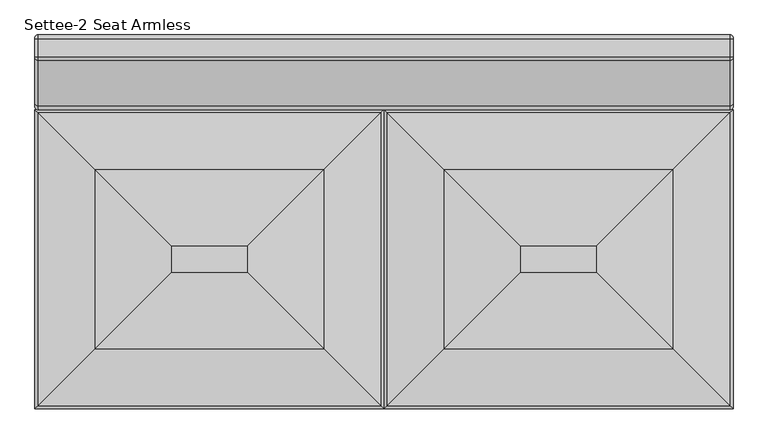
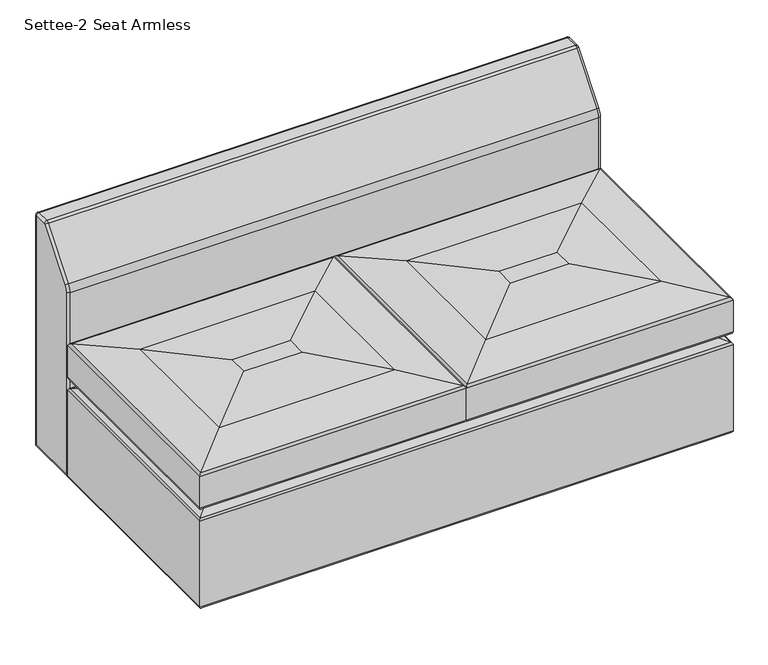
"""IFC4 building model written with IfcOpenShell, lengths in millimetres: furniture geometry, Settee-2 Seat Armless."""

import ifcopenshell
import ifcopenshell.guid

model = None  # the IFC model being written
_history = None  # IfcOwnerHistory: only IFC2X3 demands one
_inside = {}  # id of a spatial element -> (the spatial element, [elements in it])
_under = {}  # id of a project, library or spatial element -> (it, [spatial elements below it])
_declared = {}  # id of a project -> (the project, [libraries it declares])
_typed = {}  # id of a type object -> (the type object, [elements of that type])
_made_of = {}  # id of a material, layer set ... -> (it, [elements and type objects made of it])


def new_model(schema):
    """Start an empty IFC model of exactly this schema.

    Asked for "IFC4X3", IfcOpenShell would pick the latest addendum, in which some entities
    have other attributes; the version numbers below select the first issue.
    IFC2X3 requires an IfcOwnerHistory on every rooted entity: one is made here for all.
    """
    global model, _history
    if schema == "IFC4X3":
        model = ifcopenshell.file(schema_version=(4, 3, 0, 0))
    else:
        model = ifcopenshell.file(schema=schema)
    _inside.clear()
    _under.clear()
    _declared.clear()
    _typed.clear()
    _made_of.clear()
    _history = None
    if model.schema == "IFC2X3":
        org = make("IfcOrganization", Name="unknown")
        user = make(
            "IfcPersonAndOrganization",
            ThePerson=make("IfcPerson", FamilyName="unknown"),
            TheOrganization=org,
        )
        app = make(
            "IfcApplication",
            ApplicationDeveloper=org,
            Version="unknown",
            ApplicationFullName="unknown",
            ApplicationIdentifier="unknown",
        )
        _history = make(
            "IfcOwnerHistory",
            OwningUser=user,
            OwningApplication=app,
            ChangeAction="ADDED",
            CreationDate=0,
        )
    return model


def make(cls, **values):
    """One entity of the class cls with the attributes given. An attribute that is None is left unset."""
    return model.create_entity(
        cls, **{name: value for name, value in values.items() if value is not None}
    )


def rooted(cls, **values):
    """An entity with a GlobalId (a new one), such as an element, a storey or a relation."""
    return make(cls, GlobalId=ifcopenshell.guid.new(), OwnerHistory=_history, **values)


def si_unit(unit_type, name, prefix=None):
    """IfcSIUnit, for example si_unit("LENGTHUNIT", "METRE", prefix="MILLI")."""
    return make("IfcSIUnit", UnitType=unit_type, Prefix=prefix, Name=name)


def assignment(units):
    """IfcUnitAssignment: the units of a project."""
    return None if units is None else make("IfcUnitAssignment", Units=units)


def point(xyz):
    """IfcCartesianPoint."""
    return None if xyz is None else make("IfcCartesianPoint", Coordinates=xyz)


def direction(xyz):
    """IfcDirection."""
    return None if xyz is None else make("IfcDirection", DirectionRatios=xyz)


def frame(location, z_axis=None, x_axis=None):
    """IfcAxis2Placement3D, a coordinate frame: its origin and axes. An axis left out is left unset."""
    return make(
        "IfcAxis2Placement3D",
        Location=point(location),
        Axis=direction(z_axis),
        RefDirection=direction(x_axis),
    )


def origin():
    """The frame at (0, 0, 0) with its axes left unset."""
    return frame((0.0, 0.0, 0.0))


def place(relative_to, where):
    """IfcLocalPlacement: puts the frame where relative to a parent placement (None: the world)."""
    return make(
        "IfcLocalPlacement", PlacementRelTo=relative_to, RelativePlacement=where
    )


def context(
    kind, dimensions, precision=None, world=None, true_north=None, identifier=None
):
    """IfcGeometricRepresentationContext, for example the 3D "Model" context."""
    return make(
        "IfcGeometricRepresentationContext",
        ContextIdentifier=identifier,
        ContextType=kind,
        CoordinateSpaceDimension=dimensions,
        Precision=precision,
        WorldCoordinateSystem=world,
        TrueNorth=true_north,
    )


def project(units=None, contexts=None):
    """IfcProject with its units and contexts."""
    return rooted(
        "IfcProject",
        Name="project",
        RepresentationContexts=contexts,
        UnitsInContext=assignment(units),
    )


def spatial(cls, under=None, at=None, **own):
    """A site, building, storey or space (cls), placed at a placement, below another one or the project."""
    s = rooted(cls, ObjectPlacement=at, **own)
    if under is not None:
        _under.setdefault(under.id(), (under, []))[1].append(s)
    return s


def circle_curve(where, radius):
    """IfcCircle in the frame where."""
    return make("IfcCircle", Position=where, Radius=radius)


def ellipse_curve(where, semi_axis1, semi_axis2):
    """IfcEllipse in the frame where."""
    return make(
        "IfcEllipse", Position=where, SemiAxis1=semi_axis1, SemiAxis2=semi_axis2
    )


def trimmed(basis, trim1, trim2, sense, master):
    """IfcTrimmedCurve: the piece of a basis curve between two trims."""
    return make(
        "IfcTrimmedCurve",
        BasisCurve=basis,
        Trim1=trim1,
        Trim2=trim2,
        SenseAgreement=sense,
        MasterRepresentation=master,
    )


def shape(context_of_items, identifier, shape_type, items):
    """IfcShapeRepresentation: the items that make up one representation, for example the "Body"."""
    return make(
        "IfcShapeRepresentation",
        ContextOfItems=context_of_items,
        RepresentationIdentifier=identifier,
        RepresentationType=shape_type,
        Items=items,
    )


def source(mapping_origin, context_of_items, identifier, shape_type, items):
    """IfcRepresentationMap: a shape defined once, which mapped items show again and again."""
    return make(
        "IfcRepresentationMap",
        MappingOrigin=mapping_origin,
        MappedRepresentation=shape(context_of_items, identifier, shape_type, items),
    )


def transform(
    local_origin,
    x_axis=None,
    y_axis=None,
    z_axis=None,
    scale=None,
    scale2=None,
    scale3=None,
    uniform=True,
):
    """IfcCartesianTransformationOperator3D, or its non-uniform kind. x_axis, y_axis, z_axis: its Axis1, 2, 3."""
    if uniform:
        return make(
            "IfcCartesianTransformationOperator3D",
            Axis1=direction(x_axis),
            Axis2=direction(y_axis),
            LocalOrigin=point(local_origin),
            Scale=scale,
            Axis3=direction(z_axis),
        )
    return make(
        "IfcCartesianTransformationOperator3DnonUniform",
        Axis1=direction(x_axis),
        Axis2=direction(y_axis),
        LocalOrigin=point(local_origin),
        Scale=scale,
        Axis3=direction(z_axis),
        Scale2=scale2,
        Scale3=scale3,
    )


def mapped(mapping_source, mapping_target):
    """IfcMappedItem: shows the shape of a source again, moved by a transform."""
    return make(
        "IfcMappedItem", MappingSource=mapping_source, MappingTarget=mapping_target
    )


def made_of(thing, what):
    """Note that an element or type object is made of a material, layer set ...; save() writes the relation."""
    if what is not None:
        _made_of.setdefault(what.id(), (what, []))[1].append(thing)
    return thing


def element(
    cls,
    number,
    at=None,
    inside=None,
    cuts=None,
    type_object=None,
    material=None,
    context=None,
    identifier="Body",
    shape_type=None,
    held_by="IfcProductDefinitionShape",
    body=None,
    shapes=None,
    **own,
):
    """One element of the class cls, such as IfcWall. Its Tag is "e" and its number.

    at: its placement. inside: the storey or other place that contains it. cuts: it is an
    opening in that element (IfcRelVoidsElement). A single representation is given by context,
    identifier, shape_type and body (its items); several are given by shapes. held_by: the class
    of the entity that holds the representations. save() writes the other relations.
    """
    e = rooted(cls, Tag="e%d" % number, ObjectPlacement=at, **own)
    if body is not None:
        shapes = [shape(context, identifier, shape_type, body)]
    if shapes is not None:
        e.Representation = make(held_by, Representations=shapes)
    if inside is not None:
        _inside.setdefault(inside.id(), (inside, []))[1].append(e)
    if cuts is not None:
        rooted(
            "IfcRelVoidsElement", RelatingBuildingElement=cuts, RelatedOpeningElement=e
        )
    if type_object is not None:
        _typed.setdefault(type_object.id(), (type_object, []))[1].append(e)
    return made_of(e, material)


def aggregate(whole, parts):
    """IfcRelAggregates: a whole, such as a stair, and the parts it consists of."""
    return rooted("IfcRelAggregates", RelatingObject=whole, RelatedObjects=parts)


def save(model, path):
    """Write the relations noted so far, then the file.

    IfcRelAggregates (storeys below a building ...), IfcRelContainedInSpatialStructure (elements
    in a storey), IfcRelDefinesByType, IfcRelAssociatesMaterial and IfcRelDeclares: one each for
    every whole, place, type object, material and project.
    """
    for whole, parts in _under.values():
        aggregate(whole, parts)
    for where, things in _inside.values():
        rooted(
            "IfcRelContainedInSpatialStructure",
            RelatedElements=things,
            RelatingStructure=where,
        )
    for kind, things in _typed.values():
        rooted("IfcRelDefinesByType", RelatedObjects=things, RelatingType=kind)
    for what, things in _made_of.values():
        rooted("IfcRelAssociatesMaterial", RelatedObjects=things, RelatingMaterial=what)
    for by, libraries in _declared.values():
        rooted("IfcRelDeclares", RelatingContext=by, RelatedDefinitions=libraries)
    model.write(path)


def plane_surface(at):
    """IfcPlane: the flat surface through the origin of the frame at, square to its z axis."""
    return make("IfcPlane", Position=at)


def cylinder_surface(at, radius):
    """IfcCylindricalSurface: all points at the distance radius from the z axis of the frame at."""
    return make("IfcCylindricalSurface", Position=at, Radius=radius)


def revolved_surface(curve, axis_point, axis_direction):
    """IfcSurfaceOfRevolution: the curve turned about the line through axis_point along axis_direction."""
    return make(
        "IfcSurfaceOfRevolution",
        SweptCurve=make("IfcArbitraryOpenProfileDef", ProfileType="CURVE", Curve=curve),
        AxisPosition=make("IfcAxis1Placement", Location=point(axis_point), Axis=direction(axis_direction)),
    )


def advanced_brep(points, edges, surfaces, faces):
    """IfcAdvancedBrep: a solid bounded by faces that lie on surfaces and meet in shared edges.

    An edge is (start, end): straight between two places in points (the first is 0);
    or (start, end, curve); or (start, end, curve, False) where it runs against its curve.
    A face is (place in surfaces, loops), or (place, loops, False) where it looks against
    its surface's normal. A loop lists edges by number (the first is 1), with a minus sign
    where the edge is run from its end to its start. The first loop is the outer one.
    """
    corners = [point(p) for p in points]
    vertices = [make("IfcVertexPoint", VertexGeometry=c) for c in corners]
    made = []
    for start, end, *more in edges:
        made.append(
            make(
                "IfcEdgeCurve",
                EdgeStart=vertices[start],
                EdgeEnd=vertices[end],
                EdgeGeometry=more[0] if more else make("IfcPolyline", Points=[corners[start], corners[end]]),
                SameSense=more[1] if len(more) > 1 else True,
            )
        )
    hull = []
    for where, loops, *sense in faces:
        bounds = []
        for j, loop in enumerate(loops):
            ring = [make("IfcOrientedEdge", EdgeElement=made[abs(k) - 1], Orientation=k > 0) for k in loop]
            bounds.append(
                make(
                    "IfcFaceOuterBound" if j == 0 else "IfcFaceBound",
                    Bound=make("IfcEdgeLoop", EdgeList=ring),
                    Orientation=True,
                )
            )
        hull.append(make("IfcAdvancedFace", Bounds=bounds, FaceSurface=surfaces[where], SameSense=sense[0] if sense else True))
    return make("IfcAdvancedBrep", Outer=make("IfcClosedShell", CfsFaces=hull))


def settee_2_seat_armless_e1510685(model_context):
    return source(origin(), model_context, "Body", "AdvancedBrep", [
        advanced_brep(
        [(0.0, -762.0, 63.5), (6.35, -755.65, 57.15), (1416.05, -755.65, 57.15), (1422.4, -762.0, 63.5), (1422.4, -762.0, 305.4352053), (0.0, -762.0, 305.4352053), (1418.744765, -758.344765, 311.1850523), (3.655235, -758.344765, 311.1850523), (1367.4981467, -707.0981467, 323.8599964), (54.9018533, -707.0981467, 323.8599964), (1416.05, -158.75, 57.15), (1422.4, -152.4, 63.5), (1422.4, -152.4, 305.4352053), (1418.744765, -156.055235, 311.1850523), (1367.4981467, -207.3018533, 323.8599964), (6.35, -158.75, 57.15), (0.0, -152.4, 63.5), (0.0, -152.4, 305.4352053), (3.655235, -156.055235, 311.1850523), (54.9018533, -207.3018533, 323.8599964)],
        [
            (0, 1, ellipse_curve(frame((6.35, -755.65, 63.5), z_axis=(0.7071067811865475, -0.7071067811865475, 0.0), x_axis=(-0.7071067811865476, -0.7071067811865474, 0.0)), 8.9802561, 6.35)),
            (1, 2),
            (2, 3, ellipse_curve(frame((1416.05, -755.65, 63.5), z_axis=(-0.7071067811865475, -0.7071067811865475, 0.0), x_axis=(-0.7071067811865476, 0.7071067811865474, 0.0)), 8.9802561, 6.35)),
            (3, 0),
            (3, 4),
            (4, 5),
            (5, 0),
            (4, 6, ellipse_curve(frame((1416.05, -755.65, 305.4352053), z_axis=(-0.7071067811865475, -0.7071067811865475, 0.0), x_axis=(-0.7071067811865476, 0.7071067811865474, 0.0)), 8.9802561, 6.35)),
            (6, 7),
            (7, 5, ellipse_curve(frame((6.35, -755.65, 305.4352053), z_axis=(0.7071067811865475, -0.7071067811865475, 0.0), x_axis=(-0.7071067811865476, -0.7071067811865474, 0.0)), 8.9802561, 6.35)),
            (6, 8, ellipse_curve(frame((1361.1694749, -700.7694749, 188.3360783), z_axis=(-0.7071067811865475, -0.7071067811865475, 0.0), x_axis=(-0.7071067811865476, 0.7071067811865474, 0.0)), 191.8686241, 135.6716052)),
            (8, 9),
            (9, 7, ellipse_curve(frame((61.2305251, -700.7694749, 188.3360783), z_axis=(0.7071067811865475, -0.7071067811865475, 0.0), x_axis=(-0.7071067811865476, -0.7071067811865474, 0.0)), 191.8686241, 135.6716052)),
            (2, 10),
            (10, 11, ellipse_curve(frame((1416.05, -158.75, 63.5), z_axis=(0.7071067811865475, -0.7071067811865475, 0.0), x_axis=(-0.7071067811865474, -0.7071067811865476, 0.0)), 8.9802561, 6.35)),
            (11, 3),
            (11, 12),
            (12, 4),
            (12, 13, ellipse_curve(frame((1416.05, -158.75, 305.4352053), z_axis=(0.7071067811865475, -0.7071067811865475, 0.0), x_axis=(-0.7071067811865474, -0.7071067811865476, 0.0)), 8.9802561, 6.35)),
            (13, 6),
            (13, 14, ellipse_curve(frame((1361.1694749, -213.6305251, 188.3360783), z_axis=(0.7071067811865475, -0.7071067811865475, 0.0), x_axis=(-0.7071067811865474, -0.7071067811865476, 0.0)), 191.8686241, 135.6716052)),
            (14, 8),
            (10, 15),
            (15, 16, ellipse_curve(frame((6.35, -158.75, 63.5), z_axis=(0.7071067811865475, 0.7071067811865475, 0.0), x_axis=(0.7071067811865476, -0.7071067811865474, 0.0)), 8.9802561, 6.35)),
            (16, 11),
            (16, 17),
            (17, 12),
            (17, 18, ellipse_curve(frame((6.35, -158.75, 305.4352053), z_axis=(0.7071067811865475, 0.7071067811865475, 0.0), x_axis=(0.7071067811865476, -0.7071067811865474, 0.0)), 8.9802561, 6.35)),
            (18, 13),
            (18, 19, ellipse_curve(frame((61.2305251, -213.6305251, 188.3360783), z_axis=(0.7071067811865475, 0.7071067811865475, 0.0), x_axis=(0.7071067811865476, -0.7071067811865474, 0.0)), 191.8686241, 135.6716052)),
            (19, 14),
            (1, 15),
            (0, 16),
            (5, 17),
            (7, 18),
            (9, 19),
        ],
        [
            cylinder_surface(frame((0.0, -755.65, 63.5), z_axis=(-1.0, 0.0, 0.0), x_axis=(0.0, 1.0, 0.0)), 6.35),
            plane_surface(frame((0.0, -762.0, 63.5), z_axis=(0.0, -1.0, 0.0), x_axis=(1.0, 0.0, 0.0))),
            cylinder_surface(frame((0.0, -755.65, 305.4352053), z_axis=(-1.0, 0.0, 0.0), x_axis=(0.0, 1.0, 0.0)), 6.35),
            cylinder_surface(frame((0.0, -700.7694749, 188.3360783), z_axis=(-1.0, 0.0, 0.0), x_axis=(0.0, 1.0, 0.0)), 135.6716052),
            cylinder_surface(frame((1416.05, -762.0, 63.5), z_axis=(0.0, -1.0, 0.0), x_axis=(-1.0, 0.0, 0.0)), 6.35),
            plane_surface(frame((1422.4, -762.0, 63.5), z_axis=(1.0, 0.0, 0.0), x_axis=(0.0, 1.0, 0.0))),
            cylinder_surface(frame((1416.05, -762.0, 305.4352053), z_axis=(0.0, -1.0, 0.0), x_axis=(-1.0, 0.0, 0.0)), 6.35),
            cylinder_surface(frame((1361.1694749, -762.0, 188.3360783), z_axis=(0.0, -1.0, 0.0), x_axis=(-1.0, 0.0, 0.0)), 135.6716052),
            cylinder_surface(frame((1422.4, -158.75, 63.5), z_axis=(1.0, 0.0, 0.0), x_axis=(0.0, -1.0, 0.0)), 6.35),
            plane_surface(frame((1422.4, -152.4, 63.5), z_axis=(0.0, 1.0, 0.0), x_axis=(-1.0, 0.0, 0.0))),
            cylinder_surface(frame((1422.4, -158.75, 305.4352053), z_axis=(1.0, 0.0, 0.0), x_axis=(0.0, -1.0, 0.0)), 6.35),
            cylinder_surface(frame((1422.4, -213.6305251, 188.3360783), z_axis=(1.0, 0.0, 0.0), x_axis=(0.0, -1.0, 0.0)), 135.6716052),
            plane_surface(frame((279.4, -431.8, 57.15), z_axis=(0.0, 0.0, -1.0), x_axis=(0.0, -1.0, 0.0))),
            cylinder_surface(frame((6.35, -152.4, 63.5), z_axis=(0.0, 1.0, 0.0), x_axis=(1.0, 0.0, 0.0)), 6.35),
            plane_surface(frame((0.0, -152.4, 63.5), z_axis=(-1.0, 0.0, 0.0), x_axis=(0.0, -1.0, 0.0))),
            cylinder_surface(frame((6.35, -152.4, 305.4352053), z_axis=(0.0, 1.0, 0.0), x_axis=(1.0, 0.0, 0.0)), 6.35),
            cylinder_surface(frame((61.2305251, -152.4, 188.3360783), z_axis=(0.0, 1.0, 0.0), x_axis=(1.0, 0.0, 0.0)), 135.6716052),
            plane_surface(frame((54.9018533, -207.3018533, 323.8599964), z_axis=(0.0, 0.0, 1.0), x_axis=(0.0, -1.0, 0.0))),
        ],
        [
            (0, [[1, 2, 3, 4]]),
            (1, [[-4, 5, 6, 7]]),
            (2, [[-6, 8, 9, 10]]),
            (3, [[-9, 11, 12, 13]]),
            (4, [[-3, 14, 15, 16]]),
            (5, [[-5, -16, 17, 18]]),
            (6, [[-8, -18, 19, 20]]),
            (7, [[-11, -20, 21, 22]]),
            (8, [[-15, 23, 24, 25]]),
            (9, [[-17, -25, 26, 27]]),
            (10, [[-19, -27, 28, 29]]),
            (11, [[-21, -29, 30, 31]]),
            (12, [[-2, 32, -23, -14]]),
            (13, [[-1, 33, -24, -32]]),
            (14, [[-7, 34, -26, -33]]),
            (15, [[-10, 35, -28, -34]]),
            (16, [[-13, 36, -30, -35]]),
            (17, [[-12, -22, -31, -36]]),
        ],
    ),
        advanced_brep(
        [(714.8589271, -758.2176259, 336.5161259), (766.1018533, -706.9746997, 323.8599964), (1367.4981467, -706.9746997, 323.8599964), (1418.7410729, -758.2176259, 336.5161259), (1422.4, -761.876553, 342.2677019), (711.2, -761.876553, 342.2677019), (1422.4, -761.876553, 431.6520878), (711.2, -761.876553, 431.6520878), (1416.8617206, -756.3382736, 437.949993), (716.7382794, -756.3382736, 437.949993), (1300.8501341, -640.326687, 452.9024246), (832.7498659, -640.326687, 452.9024246), (1144.999776, -484.476329, 462.9046302), (988.600224, -484.476329, 462.9046302), (1367.4981467, -207.3018533, 323.8599964), (1418.7410729, -156.0589271, 336.5161259), (1422.4, -152.4, 342.2677019), (1422.4, -152.4, 431.6520878), (1416.8617206, -157.9382794, 437.949993), (1300.8501341, -273.9498659, 452.9024246), (1144.999776, -429.800224, 462.9046302), (766.1018533, -207.3018533, 323.8599964), (714.8589271, -156.0589271, 336.5161259), (711.2, -152.4, 342.2677019), (711.2, -152.4, 431.6520878), (716.7382794, -157.9382794, 437.949993), (832.7498659, -273.9498659, 452.9024246), (988.600224, -429.800224, 462.9046302)],
        [
            (0, 1, ellipse_curve(frame((772.4373178, -700.6392352, 459.5772619), z_axis=(0.7071067811865475, -0.7071067811865475, 0.0), x_axis=(-0.7071067811865476, -0.7071067811865474, 0.0)), 192.1422091, 135.865059)),
            (1, 2),
            (2, 3, ellipse_curve(frame((1361.1626822, -700.6392352, 459.5772619), z_axis=(-0.7071067811865475, -0.7071067811865475, 0.0), x_axis=(-0.7071067811865476, 0.7071067811865474, 0.0)), 192.1422091, 135.865059)),
            (3, 0),
            (3, 4, ellipse_curve(frame((1416.05, -755.526553, 342.2677019), z_axis=(-0.7071067811865475, -0.7071067811865475, 0.0), x_axis=(-0.7071067811865476, 0.7071067811865474, 0.0)), 8.9802561, 6.35)),
            (4, 5),
            (5, 0, ellipse_curve(frame((717.55, -755.526553, 342.2677019), z_axis=(0.7071067811865475, -0.7071067811865475, 0.0), x_axis=(-0.7071067811865476, -0.7071067811865474, 0.0)), 8.9802561, 6.35)),
            (4, 6),
            (6, 7),
            (7, 5),
            (6, 8, ellipse_curve(frame((1416.05, -755.526553, 431.6520878), z_axis=(-0.7071067811865475, -0.7071067811865475, 0.0), x_axis=(-0.7071067811865476, 0.7071067811865474, 0.0)), 8.9802561, 6.35)),
            (8, 9),
            (9, 7, ellipse_curve(frame((717.55, -755.526553, 431.6520878), z_axis=(0.7071067811865475, -0.7071067811865475, 0.0), x_axis=(-0.7071067811865476, -0.7071067811865474, 0.0)), 8.9802561, 6.35)),
            (8, 10),
            (10, 11),
            (11, 9),
            (10, 12, ellipse_curve(frame((1144.999776, -484.476329, -756.2953698), z_axis=(-0.7071067811865475, -0.7071067811865475, 0.0), x_axis=(-0.7071067811865476, 0.7071067811865474, 0.0)), 1724.2091752, 1219.2)),
            (12, 13),
            (13, 11, ellipse_curve(frame((988.600224, -484.476329, -756.2953698), z_axis=(0.7071067811865475, -0.7071067811865475, 0.0), x_axis=(-0.7071067811865476, -0.7071067811865474, 0.0)), 1724.2091752, 1219.2)),
            (2, 14),
            (14, 15, ellipse_curve(frame((1361.1626822, -213.6373178, 459.5772619), z_axis=(0.7071067811865475, -0.7071067811865475, 0.0), x_axis=(-0.7071067811865474, -0.7071067811865476, 0.0)), 192.1422091, 135.865059)),
            (15, 3),
            (15, 16, ellipse_curve(frame((1416.05, -158.75, 342.2677019), z_axis=(0.7071067811865475, -0.7071067811865475, 0.0), x_axis=(-0.7071067811865474, -0.7071067811865476, 0.0)), 8.9802561, 6.35)),
            (16, 4),
            (16, 17),
            (17, 6),
            (17, 18, ellipse_curve(frame((1416.05, -158.75, 431.6520878), z_axis=(0.7071067811865475, -0.7071067811865475, 0.0), x_axis=(-0.7071067811865474, -0.7071067811865476, 0.0)), 8.9802561, 6.35)),
            (18, 8),
            (18, 19),
            (19, 10),
            (19, 20, ellipse_curve(frame((1144.999776, -429.800224, -756.2953698), z_axis=(0.7071067811865475, -0.7071067811865475, 0.0), x_axis=(-0.7071067811865474, -0.7071067811865476, 0.0)), 1724.2091752, 1219.2)),
            (20, 12),
            (14, 21),
            (21, 22, ellipse_curve(frame((772.4373178, -213.6373178, 459.5772619), z_axis=(0.7071067811865475, 0.7071067811865475, 0.0), x_axis=(0.7071067811865476, -0.7071067811865474, 0.0)), 192.1422091, 135.865059)),
            (22, 15),
            (22, 23, ellipse_curve(frame((717.55, -158.75, 342.2677019), z_axis=(0.7071067811865475, 0.7071067811865475, 0.0), x_axis=(0.7071067811865476, -0.7071067811865474, 0.0)), 8.9802561, 6.35)),
            (23, 16),
            (23, 24),
            (24, 17),
            (24, 25, ellipse_curve(frame((717.55, -158.75, 431.6520878), z_axis=(0.7071067811865475, 0.7071067811865475, 0.0), x_axis=(0.7071067811865476, -0.7071067811865474, 0.0)), 8.9802561, 6.35)),
            (25, 18),
            (25, 26),
            (26, 19),
            (26, 27, ellipse_curve(frame((988.600224, -429.800224, -756.2953698), z_axis=(0.7071067811865475, 0.7071067811865475, 0.0), x_axis=(0.7071067811865476, -0.7071067811865474, 0.0)), 1724.2091752, 1219.2)),
            (27, 20),
            (1, 21),
            (0, 22),
            (5, 23),
            (7, 24),
            (9, 25),
            (11, 26),
            (13, 27),
        ],
        [
            cylinder_surface(frame((711.2, -700.6392352, 459.5772619), z_axis=(-1.0, 0.0, 0.0), x_axis=(0.0, 1.0, 0.0)), 135.865059),
            cylinder_surface(frame((711.2, -755.526553, 342.2677019), z_axis=(-1.0, 0.0, 0.0), x_axis=(0.0, 1.0, 0.0)), 6.35),
            plane_surface(frame((711.2, -761.876553, 342.2677019), z_axis=(0.0, -1.0, 0.0), x_axis=(1.0, 0.0, 0.0))),
            cylinder_surface(frame((711.2, -755.526553, 431.6520878), z_axis=(-1.0, 0.0, 0.0), x_axis=(0.0, 1.0, 0.0)), 6.35),
            plane_surface(frame((716.7382794, -756.3382736, 437.949993), z_axis=(0.0, -0.12783001807990294, 0.9917960911788731), x_axis=(1.0, 0.0, 0.0))),
            cylinder_surface(frame((711.2, -484.476329, -756.2953698), z_axis=(-1.0, 0.0, 0.0), x_axis=(0.0, 1.0, 0.0)), 1219.2),
            cylinder_surface(frame((1361.1626822, -761.876553, 459.5772619), z_axis=(0.0, -1.0, 0.0), x_axis=(-1.0, 0.0, 0.0)), 135.865059),
            cylinder_surface(frame((1416.05, -761.876553, 342.2677019), z_axis=(0.0, -1.0, 0.0), x_axis=(-1.0, 0.0, 0.0)), 6.35),
            plane_surface(frame((1422.4, -761.876553, 342.2677019), z_axis=(1.0, 0.0, 0.0), x_axis=(0.0, 1.0, 0.0))),
            cylinder_surface(frame((1416.05, -761.876553, 431.6520878), z_axis=(0.0, -1.0, 0.0), x_axis=(-1.0, 0.0, 0.0)), 6.35),
            plane_surface(frame((1416.8617206, -756.3382736, 437.949993), z_axis=(0.12783001807990294, 0.0, 0.9917960911788731), x_axis=(0.0, 1.0, 0.0))),
            cylinder_surface(frame((1144.999776, -761.876553, -756.2953698), z_axis=(0.0, -1.0, 0.0), x_axis=(-1.0, 0.0, 0.0)), 1219.2),
            cylinder_surface(frame((1422.4, -213.6373178, 459.5772619), z_axis=(1.0, 0.0, 0.0), x_axis=(0.0, -1.0, 0.0)), 135.865059),
            cylinder_surface(frame((1422.4, -158.75, 342.2677019), z_axis=(1.0, 0.0, 0.0), x_axis=(0.0, -1.0, 0.0)), 6.35),
            plane_surface(frame((1422.4, -152.4, 342.2677019), z_axis=(0.0, 1.0, 0.0), x_axis=(-1.0, 0.0, 0.0))),
            cylinder_surface(frame((1422.4, -158.75, 431.6520878), z_axis=(1.0, 0.0, 0.0), x_axis=(0.0, -1.0, 0.0)), 6.35),
            plane_surface(frame((1416.8617206, -157.9382794, 437.949993), z_axis=(0.0, 0.12783001807990294, 0.9917960911788731), x_axis=(-1.0, 0.0, 0.0))),
            cylinder_surface(frame((1422.4, -429.800224, -756.2953698), z_axis=(1.0, 0.0, 0.0), x_axis=(0.0, -1.0, 0.0)), 1219.2),
            plane_surface(frame((990.6, -431.8, 323.8599964), z_axis=(0.0, 0.0, -1.0), x_axis=(0.0, -1.0, 0.0))),
            cylinder_surface(frame((772.4373178, -152.4, 459.5772619), z_axis=(0.0, 1.0, 0.0), x_axis=(1.0, 0.0, 0.0)), 135.865059),
            cylinder_surface(frame((717.55, -152.4, 342.2677019), z_axis=(0.0, 1.0, 0.0), x_axis=(1.0, 0.0, 0.0)), 6.35),
            plane_surface(frame((711.2, -152.4, 342.2677019), z_axis=(-1.0, 0.0, 0.0), x_axis=(0.0, -1.0, 0.0))),
            cylinder_surface(frame((717.55, -152.4, 431.6520878), z_axis=(0.0, 1.0, 0.0), x_axis=(1.0, 0.0, 0.0)), 6.35),
            plane_surface(frame((716.7382794, -157.9382794, 437.949993), z_axis=(-0.12783001807990294, 0.0, 0.9917960911788731), x_axis=(0.0, -1.0, 0.0))),
            cylinder_surface(frame((988.600224, -152.4, -756.2953698), z_axis=(0.0, 1.0, 0.0), x_axis=(1.0, 0.0, 0.0)), 1219.2),
            plane_surface(frame((988.600224, -429.800224, 462.9046302), z_axis=(0.0, 0.0, 1.0), x_axis=(0.0, -1.0, 0.0))),
        ],
        [
            (0, [[1, 2, 3, 4]]),
            (1, [[-4, 5, 6, 7]]),
            (2, [[-6, 8, 9, 10]]),
            (3, [[-9, 11, 12, 13]]),
            (4, [[-12, 14, 15, 16]]),
            (5, [[-15, 17, 18, 19]]),
            (6, [[-3, 20, 21, 22]]),
            (7, [[-5, -22, 23, 24]]),
            (8, [[-8, -24, 25, 26]]),
            (9, [[-11, -26, 27, 28]]),
            (10, [[-14, -28, 29, 30]]),
            (11, [[-17, -30, 31, 32]]),
            (12, [[-21, 33, 34, 35]]),
            (13, [[-23, -35, 36, 37]]),
            (14, [[-25, -37, 38, 39]]),
            (15, [[-27, -39, 40, 41]]),
            (16, [[-29, -41, 42, 43]]),
            (17, [[-31, -43, 44, 45]]),
            (18, [[-2, 46, -33, -20]]),
            (19, [[-1, 47, -34, -46]]),
            (20, [[-7, 48, -36, -47]]),
            (21, [[-10, 49, -38, -48]]),
            (22, [[-13, 50, -40, -49]]),
            (23, [[-16, 51, -42, -50]]),
            (24, [[-19, 52, -44, -51]]),
            (25, [[-18, -32, -45, -52]]),
        ],
    ),
        advanced_brep(
        [(1416.304, 0.0, 57.15), (1422.4, -6.096, 63.246), (1422.4, -146.304, 63.246), (1416.304, -152.4, 57.15), (6.35, -152.4, 57.15), (6.35, 0.0, 57.15), (0.0, -146.05, 63.5), (0.0, -6.35, 63.5), (1422.4, -146.304, 578.4232783), (1416.304, -152.4, 578.4232783), (6.35, -152.4, 578.4232783), (0.0, -146.05, 578.4232783), (1422.4, -140.3398991, 595.322521), (1416.304, -145.0855366, 599.1487647), (6.35, -145.0855366, 599.1487647), (0.0, -140.1421642, 595.1630942), (1422.4, -47.690711, 710.2340389), (1416.304, -52.4363486, 714.0602825), (6.35, -52.4363486, 714.0602825), (0.0, -47.4929761, 710.0746121), (1422.4, -45.5156272, 711.2743439), (1416.304, -45.5156272, 717.3703439), (6.35, -45.5156272, 717.3703439), (0.0, -45.5156272, 711.0203439), (1422.4, -8.89, 711.2743439), (1416.304, -8.89, 717.3703439), (6.35, -8.89, 717.3703439), (0.0, -8.89, 711.0203439), (1422.4, -6.096, 708.4803439), (1416.304, 0.0, 708.4803439), (6.35, 0.0, 708.4803439), (0.0, -6.35, 708.4803439)],
        [
            (0, 1, ellipse_curve(frame((1416.304, -6.096, 63.246), z_axis=(0.0, -0.7071067811865475, -0.7071067811865475), x_axis=(0.0, 0.7071067811865476, -0.7071067811865474)), 8.6210459, 6.096)),
            (1, 2),
            (2, 3, ellipse_curve(frame((1416.304, -146.304, 63.246), z_axis=(0.0, 0.7071067811865475, -0.7071067811865475), x_axis=(0.0, 0.7071067811865476, 0.7071067811865474)), 8.6210459, 6.096)),
            (3, 0),
            (3, 4),
            (4, 5),
            (5, 0),
            (4, 6, ellipse_curve(frame((6.35, -146.05, 63.5), z_axis=(0.0, 0.7071067811865475, -0.7071067811865475), x_axis=(0.0, 0.7071067811865476, 0.7071067811865474)), 8.9802561, 6.35)),
            (6, 7),
            (7, 5, ellipse_curve(frame((6.35, -6.35, 63.5), z_axis=(0.0, -0.7071067811865475, -0.7071067811865475), x_axis=(0.0, 0.7071067811865476, -0.7071067811865474)), 8.9802561, 6.35)),
            (2, 8),
            (8, 9, circle_curve(frame((1416.304, -146.304, 578.4232783), z_axis=(0.0, 0.0, -1.0), x_axis=(1.0, 0.0, 0.0)), 6.096)),
            (9, 3),
            (9, 10),
            (10, 4),
            (10, 11, circle_curve(frame((6.35, -146.05, 578.4232783), z_axis=(0.0, 0.0, -1.0), x_axis=(1.0, 0.0, 0.0)), 6.35)),
            (11, 6),
            (8, 12, circle_curve(frame((1422.4, -119.38, 578.4232783), z_axis=(-1.0, 0.0, 0.0), x_axis=(0.0, -1.0, 0.0)), 26.924)),
            (12, 13, circle_curve(frame((1416.304, -140.3398991, 595.322521), z_axis=(0.0, -0.6276646390690117, -0.7784838475282371), x_axis=(1.0, 0.0, 0.0)), 6.096)),
            (13, 9, circle_curve(frame((1416.304, -119.38, 578.4232783), z_axis=(1.0, 0.0, 0.0), x_axis=(0.0, -1.0, 0.0)), 33.02)),
            (13, 14),
            (14, 10, circle_curve(frame((6.35, -119.38, 578.4232783), z_axis=(1.0, 0.0, 0.0), x_axis=(0.0, -1.0, 0.0)), 33.02)),
            (14, 15, circle_curve(frame((6.35, -140.1421642, 595.1630942), z_axis=(0.0, -0.627664639069012, -0.7784838475282367), x_axis=(1.0, 0.0, 0.0)), 6.35)),
            (15, 11, circle_curve(frame((0.0, -119.38, 578.4232783), z_axis=(1.0, 0.0, 0.0), x_axis=(0.0, -1.0, 0.0)), 26.67)),
            (12, 16),
            (16, 17, circle_curve(frame((1416.304, -47.690711, 710.2340389), z_axis=(0.0, -0.6276646390690127, -0.7784838475282361), x_axis=(1.0, 0.0, 0.0)), 6.096)),
            (17, 13),
            (17, 18),
            (18, 14),
            (18, 19, circle_curve(frame((6.35, -47.4929761, 710.0746121), z_axis=(0.0, -0.6276646390690127, -0.7784838475282361), x_axis=(1.0, 0.0, 0.0)), 6.35)),
            (19, 15),
            (16, 20, circle_curve(frame((1422.4, -45.5156272, 708.4803439), z_axis=(-1.0, 0.0, 0.0), x_axis=(0.0, -0.7784838475282333, 0.6276646390690163)), 2.794)),
            (20, 21, circle_curve(frame((1416.304, -45.5156272, 711.2743439), z_axis=(0.0, -1.0, 0.0), x_axis=(1.0, 0.0, 0.0)), 6.096)),
            (21, 17, circle_curve(frame((1416.304, -45.5156272, 708.4803439), z_axis=(1.0, 0.0, 0.0), x_axis=(0.0, -0.7784838475282333, 0.6276646390690163)), 8.89)),
            (21, 22),
            (22, 18, circle_curve(frame((6.35, -45.5156272, 708.4803439), z_axis=(1.0, 0.0, 0.0), x_axis=(0.0, -0.7784838475282333, 0.6276646390690163)), 8.89)),
            (22, 23, circle_curve(frame((6.35, -45.5156272, 711.0203439), z_axis=(0.0, -1.0, 0.0), x_axis=(1.0, 0.0, 0.0)), 6.35)),
            (23, 19, circle_curve(frame((0.0, -45.5156272, 708.4803439), z_axis=(1.0, 0.0, 0.0), x_axis=(0.0, -0.7784838475282333, 0.6276646390690163)), 2.54)),
            (20, 24),
            (24, 25, circle_curve(frame((1416.304, -8.89, 711.2743439), z_axis=(0.0, -1.0, 0.0), x_axis=(1.0, 0.0, 0.0)), 6.096)),
            (25, 21),
            (25, 26),
            (26, 22),
            (26, 27, circle_curve(frame((6.35, -8.89, 711.0203439), z_axis=(0.0, -1.0, 0.0), x_axis=(1.0, 0.0, 0.0)), 6.35)),
            (27, 23),
            (24, 28, circle_curve(frame((1422.4, -8.89, 708.4803439), z_axis=(-1.0, 0.0, 0.0), x_axis=(0.0, 0.0, 1.0)), 2.794)),
            (28, 29, circle_curve(frame((1416.304, -6.096, 708.4803439), z_axis=(0.0, 0.0, 1.0), x_axis=(1.0, 0.0, 0.0)), 6.096)),
            (29, 25, circle_curve(frame((1416.304, -8.89, 708.4803439), z_axis=(1.0, 0.0, 0.0), x_axis=(0.0, 0.0, 1.0)), 8.89)),
            (29, 30),
            (30, 26, circle_curve(frame((6.35, -8.89, 708.4803439), z_axis=(1.0, 0.0, 0.0), x_axis=(0.0, 0.0, 1.0)), 8.89)),
            (30, 31, circle_curve(frame((6.35, -6.35, 708.4803439), z_axis=(0.0, -1.2836627458265103e-12, 1.0), x_axis=(1.0, 0.0, 0.0)), 6.35)),
            (31, 27, circle_curve(frame((0.0, -8.89, 708.4803439), z_axis=(1.0, 0.0, 0.0), x_axis=(0.0, 0.0, 1.0)), 2.54)),
            (1, 28),
            (0, 29),
            (5, 30),
            (7, 31),
        ],
        [
            cylinder_surface(frame((1416.304, -7.62, 63.246), z_axis=(0.0, 1.0, 0.0), x_axis=(1.0, 0.0, 0.0)), 6.096),
            plane_surface(frame((1416.304, 0.0, 57.15), z_axis=(0.0, 0.0, -1.0), x_axis=(0.0, -1.0, 0.0))),
            cylinder_surface(frame((6.35, -7.62, 63.5), z_axis=(0.0, 1.0, 0.0), x_axis=(1.0, 0.0, 0.0)), 6.35),
            cylinder_surface(frame((1416.304, -146.304, 64.77), z_axis=(0.0, 0.0, -1.0), x_axis=(1.0, 0.0, 0.0)), 6.096),
            plane_surface(frame((1416.304, -152.4, 57.15), z_axis=(0.0, -1.0, 0.0), x_axis=(0.0, 0.0, 1.0))),
            cylinder_surface(frame((6.35, -146.05, 64.77), z_axis=(0.0, 0.0, -1.0), x_axis=(1.0, 0.0, 0.0)), 6.35),
            revolved_surface(trimmed(ellipse_curve(frame((1416.304, -146.304, 578.4232783), z_axis=(0.0, 0.0, -1.0), x_axis=(1.0, 0.0, 0.0)), 6.096, 6.096), [point((1422.4, -146.304, 578.4232783))], [point((1416.304, -152.4, 578.4232783))], True, "CARTESIAN"), (0.0, -119.38, 578.4232783), (-1.0, 0.0, 0.0)),
            cylinder_surface(frame((0.0, -119.38, 578.4232783), z_axis=(-1.0, 0.0, 0.0), x_axis=(0.0, -1.0, 0.0)), 33.02),
            revolved_surface(trimmed(ellipse_curve(frame((6.35, -146.05, 578.4232783), z_axis=(0.0, 0.0, -1.0), x_axis=(1.0, 0.0, 0.0)), 6.35, 6.35), [point((6.35, -152.4, 578.4232783))], [point((0.0, -146.05, 578.4232783))], True, "CARTESIAN"), (0.0, -119.38, 578.4232783), (-1.0, 0.0, 0.0)),
            cylinder_surface(frame((1416.304, -140.3398991, 595.322521), z_axis=(0.0, -0.6276646390690127, -0.7784838475282361), x_axis=(1.0, 0.0, 0.0)), 6.096),
            plane_surface(frame((1416.304, -145.0855366, 599.1487647), z_axis=(0.0, -0.7784838475282359, 0.6276646390690132), x_axis=(0.0, 0.6276646390690132, 0.7784838475282359))),
            cylinder_surface(frame((6.35, -140.1421642, 595.1630942), z_axis=(0.0, -0.6276646390690127, -0.7784838475282361), x_axis=(1.0, 0.0, 0.0)), 6.35),
            revolved_surface(trimmed(ellipse_curve(frame((1416.304, -47.690711, 710.2340389), z_axis=(0.0, -0.6276646390690163, -0.7784838475282333), x_axis=(1.0, 0.0, 0.0)), 6.096, 6.096), [point((1422.4, -47.690711, 710.2340389))], [point((1416.304, -52.4363486, 714.0602825))], True, "CARTESIAN"), (0.0, -45.5156272, 708.4803439), (-1.0, 0.0, 0.0)),
            cylinder_surface(frame((0.0, -45.5156272, 708.4803439), z_axis=(-1.0, 0.0, 0.0), x_axis=(0.0, -0.7784838475282333, 0.6276646390690163)), 8.89),
            revolved_surface(trimmed(ellipse_curve(frame((6.35, -47.4929761, 710.0746121), z_axis=(0.0, -0.6276646390690163, -0.7784838475282333), x_axis=(1.0, 0.0, 0.0)), 6.35, 6.35), [point((6.35, -52.4363486, 714.0602825))], [point((0.0, -47.4929761, 710.0746121))], True, "CARTESIAN"), (0.0, -45.5156272, 708.4803439), (-1.0, 0.0, 0.0)),
            cylinder_surface(frame((1416.304, -45.5156272, 711.2743439), z_axis=(0.0, -1.0, 0.0), x_axis=(1.0, 0.0, 0.0)), 6.096),
            plane_surface(frame((1416.304, -45.5156272, 717.3703439), z_axis=(0.0, 0.0, 1.0), x_axis=(0.0, 1.0, 0.0))),
            cylinder_surface(frame((6.35, -45.5156272, 711.0203439), z_axis=(0.0, -1.0, 0.0), x_axis=(1.0, 0.0, 0.0)), 6.35),
            revolved_surface(trimmed(ellipse_curve(frame((1416.304, -8.89, 711.2743439), z_axis=(0.0, -1.0, 0.0), x_axis=(1.0, 0.0, 0.0)), 6.096, 6.096), [point((1422.4, -8.89, 711.2743439))], [point((1416.304, -8.89, 717.3703439))], True, "CARTESIAN"), (0.0, -8.89, 708.4803439), (-1.0, 0.0, 0.0)),
            cylinder_surface(frame((0.0, -8.89, 708.4803439), z_axis=(-1.0, 0.0, 0.0), x_axis=(0.0, 0.0, 1.0)), 8.89),
            revolved_surface(trimmed(ellipse_curve(frame((6.35, -8.89, 711.0203439), z_axis=(0.0, -1.0, 0.0), x_axis=(1.0, 0.0, 0.0)), 6.35, 6.35), [point((6.35, -8.89, 717.3703439))], [point((0.0, -8.89, 711.0203439))], True, "CARTESIAN"), (0.0, -8.89, 708.4803439), (-1.0, 0.0, 0.0)),
            plane_surface(frame((1422.4, -7.62, 708.4803439), z_axis=(1.0, 0.0, 0.0), x_axis=(0.0, 0.0, -1.0))),
            cylinder_surface(frame((1416.304, -6.096, 708.4803439), z_axis=(0.0, 0.0, 1.0), x_axis=(1.0, 0.0, 0.0)), 6.096),
            plane_surface(frame((1416.304, 0.0, 708.4803439), z_axis=(0.0, 1.0, 0.0), x_axis=(0.0, 0.0, -1.0))),
            cylinder_surface(frame((6.35, -6.35, 708.4803439), z_axis=(0.0, 0.0, 1.0), x_axis=(1.0, 0.0, 0.0)), 6.35),
            plane_surface(frame((0.0, -6.35, 708.4803439), z_axis=(-1.0, 0.0, 0.0), x_axis=(0.0, 0.0, -1.0))),
        ],
        [
            (0, [[1, 2, 3, 4]]),
            (1, [[-4, 5, 6, 7]]),
            (2, [[-6, 8, 9, 10]]),
            (3, [[-3, 11, 12, 13]]),
            (4, [[-5, -13, 14, 15]]),
            (5, [[-8, -15, 16, 17]]),
            (6, [[-12, 18, 19, 20]]),
            (7, [[-14, -20, 21, 22]]),
            (8, [[-16, -22, 23, 24]]),
            (9, [[-19, 25, 26, 27]]),
            (10, [[-21, -27, 28, 29]]),
            (11, [[-23, -29, 30, 31]]),
            (12, [[-26, 32, 33, 34]]),
            (13, [[-28, -34, 35, 36]]),
            (14, [[-30, -36, 37, 38]]),
            (15, [[-33, 39, 40, 41]]),
            (16, [[-35, -41, 42, 43]]),
            (17, [[-37, -43, 44, 45]]),
            (18, [[-40, 46, 47, 48]]),
            (19, [[-42, -48, 49, 50]]),
            (20, [[-44, -50, 51, 52]]),
            (21, [[-2, 53, -46, -39, -32, -25, -18, -11]]),
            (22, [[-1, 54, -47, -53]]),
            (23, [[-7, 55, -49, -54]]),
            (24, [[-10, 56, -51, -55]]),
            (25, [[-9, -17, -24, -31, -38, -45, -52, -56]]),
        ],
    ),
        advanced_brep(
        [(76.2, -101.600003, 57.15), (127.0, -101.600003, 57.15), (76.2, -101.600003, 6.35), (127.0, -101.600003, 6.35), (88.9, -101.600003, 6.35), (114.3, -101.600003, 6.35), (88.9, -101.600003, 0.0), (114.3, -101.600003, 0.0)],
        [
            (0, 1, circle_curve(frame((101.6, -101.600003, 57.15), z_axis=(0.0, 0.0, 1.0), x_axis=(1.0, 0.0, 0.0)), 25.4)),
            (1, 0, circle_curve(frame((101.6, -101.600003, 57.15), z_axis=(0.0, 0.0, 1.0), x_axis=(1.0, 0.0, 0.0)), 25.4)),
            (2, 3, circle_curve(frame((101.6, -101.600003, 6.35), z_axis=(0.0, 0.0, -1.0), x_axis=(1.0, 0.0, 0.0)), 25.4)),
            (3, 2, circle_curve(frame((101.6, -101.600003, 6.35), z_axis=(0.0, 0.0, -1.0), x_axis=(1.0, 0.0, 0.0)), 25.4)),
            (4, 5, circle_curve(frame((101.6, -101.600003, 6.35), z_axis=(0.0, 0.0, 1.0), x_axis=(1.0, 0.0, 0.0)), 12.7)),
            (5, 4, circle_curve(frame((101.6, -101.600003, 6.35), z_axis=(0.0, 0.0, 1.0), x_axis=(1.0, 0.0, 0.0)), 12.7)),
            (0, 2),
            (3, 1),
            (6, 7, circle_curve(frame((101.6, -101.600003, 0.0), z_axis=(0.0, 0.0, -1.0), x_axis=(1.0, 0.0, 0.0)), 12.7)),
            (7, 6, circle_curve(frame((101.6, -101.600003, 0.0), z_axis=(0.0, 0.0, -1.0), x_axis=(1.0, 0.0, 0.0)), 12.7)),
            (7, 5),
            (4, 6),
        ],
        [
            plane_surface(frame((127.0, -101.600003, 57.15), z_axis=(0.0, 0.0, 1.0), x_axis=(0.0, 1.0, 0.0))),
            plane_surface(frame((127.0, -101.600003, 6.35), z_axis=(0.0, 0.0, -1.0), x_axis=(0.0, -1.0, 0.0))),
            cylinder_surface(frame((101.6, -101.600003, 6.35), z_axis=(0.0, 0.0, 1.0), x_axis=(1.0, 0.0, 0.0)), 25.4),
            plane_surface(frame((114.3, -101.600003, 0.0), z_axis=(0.0, 0.0, -1.0), x_axis=(0.0, -1.0, 0.0))),
            cylinder_surface(frame((101.6, -101.600003, 0.0), z_axis=(0.0, 0.0, 1.0), x_axis=(1.0, 0.0, 0.0)), 12.7),
        ],
        [
            (0, [[1, 2]]),
            (1, [[3, 4], [5, 6]]),
            (2, [[-1, 7, -4, 8]]),
            (2, [[-2, -8, -3, -7]]),
            (3, [[9, 10]]),
            (4, [[-10, 11, -5, 12]]),
            (4, [[-9, -12, -6, -11]]),
        ],
    ),
        advanced_brep(
        [(76.2, -660.3999879, 57.15), (127.0, -660.3999879, 57.15), (76.2, -660.3999879, 6.35), (127.0, -660.3999879, 6.35), (88.9, -660.3999879, 6.35), (114.3, -660.3999879, 6.35), (88.9, -660.3999879, 0.0), (114.3, -660.3999879, 0.0)],
        [
            (0, 1, circle_curve(frame((101.6, -660.3999879, 57.15), z_axis=(0.0, 0.0, 1.0), x_axis=(1.0, 0.0, 0.0)), 25.4)),
            (1, 0, circle_curve(frame((101.6, -660.3999879, 57.15), z_axis=(0.0, 0.0, 1.0), x_axis=(1.0, 0.0, 0.0)), 25.4)),
            (2, 3, circle_curve(frame((101.6, -660.3999879, 6.35), z_axis=(0.0, 0.0, -1.0), x_axis=(1.0, 0.0, 0.0)), 25.4)),
            (3, 2, circle_curve(frame((101.6, -660.3999879, 6.35), z_axis=(0.0, 0.0, -1.0), x_axis=(1.0, 0.0, 0.0)), 25.4)),
            (4, 5, circle_curve(frame((101.6, -660.3999879, 6.35), z_axis=(0.0, 0.0, 1.0), x_axis=(1.0, 0.0, 0.0)), 12.7)),
            (5, 4, circle_curve(frame((101.6, -660.3999879, 6.35), z_axis=(0.0, 0.0, 1.0), x_axis=(1.0, 0.0, 0.0)), 12.7)),
            (6, 7, circle_curve(frame((101.6, -660.3999879, 0.0), z_axis=(0.0, 0.0, -1.0), x_axis=(1.0, 0.0, 0.0)), 12.7)),
            (7, 6, circle_curve(frame((101.6, -660.3999879, 0.0), z_axis=(0.0, 0.0, -1.0), x_axis=(1.0, 0.0, 0.0)), 12.7)),
            (7, 5),
            (4, 6),
            (0, 2),
            (3, 1),
        ],
        [
            plane_surface(frame((127.0, -101.600003, 57.15), z_axis=(0.0, 0.0, 1.0), x_axis=(0.0, 1.0, 0.0))),
            plane_surface(frame((127.0, -101.600003, 6.35), z_axis=(0.0, 0.0, -1.0), x_axis=(0.0, -1.0, 0.0))),
            plane_surface(frame((114.3, -101.600003, 0.0), z_axis=(0.0, 0.0, -1.0), x_axis=(0.0, -1.0, 0.0))),
            cylinder_surface(frame((101.6, -660.3999879, 0.0), z_axis=(0.0, 0.0, 1.0), x_axis=(1.0, 0.0, 0.0)), 12.7),
            cylinder_surface(frame((101.6, -660.3999879, 0.0), z_axis=(0.0, 0.0, 1.0), x_axis=(1.0, 0.0, 0.0)), 25.4),
        ],
        [
            (0, [[1, 2]]),
            (1, [[3, 4], [5, 6]]),
            (2, [[7, 8]]),
            (3, [[-8, 9, -5, 10]]),
            (3, [[-7, -10, -6, -9]]),
            (4, [[-1, 11, -4, 12]]),
            (4, [[-2, -12, -3, -11]]),
        ],
    ),
        advanced_brep(
        [(1295.4, -101.600003, 57.15), (1346.2, -101.600003, 57.15), (1295.4, -101.600003, 6.35), (1346.2, -101.600003, 6.35), (1308.1, -101.600003, 6.35), (1333.5, -101.600003, 6.35), (1308.1, -101.600003, 0.0), (1333.5, -101.600003, 0.0)],
        [
            (0, 1, circle_curve(frame((1320.8, -101.600003, 57.15), z_axis=(0.0, 0.0, 1.0), x_axis=(1.0, 0.0, 0.0)), 25.4)),
            (1, 0, circle_curve(frame((1320.8, -101.600003, 57.15), z_axis=(0.0, 0.0, 1.0), x_axis=(1.0, 0.0, 0.0)), 25.4)),
            (2, 3, circle_curve(frame((1320.8, -101.600003, 6.35), z_axis=(0.0, 0.0, -1.0), x_axis=(1.0, 0.0, 0.0)), 25.4)),
            (3, 2, circle_curve(frame((1320.8, -101.600003, 6.35), z_axis=(0.0, 0.0, -1.0), x_axis=(1.0, 0.0, 0.0)), 25.4)),
            (4, 5, circle_curve(frame((1320.8, -101.600003, 6.35), z_axis=(0.0, 0.0, 1.0), x_axis=(1.0, 0.0, 0.0)), 12.7)),
            (5, 4, circle_curve(frame((1320.8, -101.600003, 6.35), z_axis=(0.0, 0.0, 1.0), x_axis=(1.0, 0.0, 0.0)), 12.7)),
            (6, 7, circle_curve(frame((1320.8, -101.600003, 0.0), z_axis=(0.0, 0.0, -1.0), x_axis=(1.0, 0.0, 0.0)), 12.7)),
            (7, 6, circle_curve(frame((1320.8, -101.600003, 0.0), z_axis=(0.0, 0.0, -1.0), x_axis=(1.0, 0.0, 0.0)), 12.7)),
            (7, 5),
            (4, 6),
            (0, 2),
            (3, 1),
        ],
        [
            plane_surface(frame((127.0, -101.600003, 57.15), z_axis=(0.0, 0.0, 1.0), x_axis=(0.0, 1.0, 0.0))),
            plane_surface(frame((127.0, -101.600003, 6.35), z_axis=(0.0, 0.0, -1.0), x_axis=(0.0, -1.0, 0.0))),
            plane_surface(frame((114.3, -101.600003, 0.0), z_axis=(0.0, 0.0, -1.0), x_axis=(0.0, -1.0, 0.0))),
            cylinder_surface(frame((1320.8, -101.600003, 0.0), z_axis=(0.0, 0.0, 1.0), x_axis=(1.0, 0.0, 0.0)), 12.7),
            cylinder_surface(frame((1320.8, -101.600003, 0.0), z_axis=(0.0, 0.0, 1.0), x_axis=(1.0, 0.0, 0.0)), 25.4),
        ],
        [
            (0, [[1, 2]]),
            (1, [[3, 4], [5, 6]]),
            (2, [[7, 8]]),
            (3, [[-8, 9, -5, 10]]),
            (3, [[-7, -10, -6, -9]]),
            (4, [[-1, 11, -4, 12]]),
            (4, [[-2, -12, -3, -11]]),
        ],
    ),
        advanced_brep(
        [(1295.4, -660.3999879, 57.15), (1346.2, -660.3999879, 57.15), (1295.4, -660.3999879, 6.35), (1346.2, -660.3999879, 6.35), (1308.1, -660.3999879, 6.35), (1333.5, -660.3999879, 6.35), (1308.1, -660.3999879, 0.0), (1333.5, -660.3999879, 0.0)],
        [
            (0, 1, circle_curve(frame((1320.8, -660.3999879, 57.15), z_axis=(0.0, 0.0, 1.0), x_axis=(1.0, 0.0, 0.0)), 25.4)),
            (1, 0, circle_curve(frame((1320.8, -660.3999879, 57.15), z_axis=(0.0, 0.0, 1.0), x_axis=(1.0, 0.0, 0.0)), 25.4)),
            (2, 3, circle_curve(frame((1320.8, -660.3999879, 6.35), z_axis=(0.0, 0.0, -1.0), x_axis=(1.0, 0.0, 0.0)), 25.4)),
            (3, 2, circle_curve(frame((1320.8, -660.3999879, 6.35), z_axis=(0.0, 0.0, -1.0), x_axis=(1.0, 0.0, 0.0)), 25.4)),
            (4, 5, circle_curve(frame((1320.8, -660.3999879, 6.35), z_axis=(0.0, 0.0, 1.0), x_axis=(1.0, 0.0, 0.0)), 12.7)),
            (5, 4, circle_curve(frame((1320.8, -660.3999879, 6.35), z_axis=(0.0, 0.0, 1.0), x_axis=(1.0, 0.0, 0.0)), 12.7)),
            (6, 7, circle_curve(frame((1320.8, -660.3999879, 0.0), z_axis=(0.0, 0.0, -1.0), x_axis=(1.0, 0.0, 0.0)), 12.7)),
            (7, 6, circle_curve(frame((1320.8, -660.3999879, 0.0), z_axis=(0.0, 0.0, -1.0), x_axis=(1.0, 0.0, 0.0)), 12.7)),
            (7, 5),
            (4, 6),
            (0, 2),
            (3, 1),
        ],
        [
            plane_surface(frame((127.0, -101.600003, 57.15), z_axis=(0.0, 0.0, 1.0), x_axis=(0.0, 1.0, 0.0))),
            plane_surface(frame((127.0, -101.600003, 6.35), z_axis=(0.0, 0.0, -1.0), x_axis=(0.0, -1.0, 0.0))),
            plane_surface(frame((114.3, -101.600003, 0.0), z_axis=(0.0, 0.0, -1.0), x_axis=(0.0, -1.0, 0.0))),
            cylinder_surface(frame((1320.8, -660.3999879, 0.0), z_axis=(0.0, 0.0, 1.0), x_axis=(1.0, 0.0, 0.0)), 12.7),
            cylinder_surface(frame((1320.8, -660.3999879, 0.0), z_axis=(0.0, 0.0, 1.0), x_axis=(1.0, 0.0, 0.0)), 25.4),
        ],
        [
            (0, [[1, 2]]),
            (1, [[3, 4], [5, 6]]),
            (2, [[7, 8]]),
            (3, [[-8, 9, -5, 10]]),
            (3, [[-7, -10, -6, -9]]),
            (4, [[-1, 11, -4, 12]]),
            (4, [[-2, -12, -3, -11]]),
        ],
    ),
        advanced_brep(
        [(3.6589271, -758.2176259, 336.5161259), (54.9018533, -706.9746997, 323.8599964), (656.2981467, -706.9746997, 323.8599964), (707.5410729, -758.2176259, 336.5161259), (711.2, -761.876553, 342.2677019), (0.0, -761.876553, 342.2677019), (711.2, -761.876553, 431.6520878), (0.0, -761.876553, 431.6520878), (705.6617206, -756.3382736, 437.949993), (5.5382794, -756.3382736, 437.949993), (589.6501341, -640.326687, 452.9024246), (121.5498659, -640.326687, 452.9024246), (433.799776, -484.476329, 462.9046302), (277.400224, -484.476329, 462.9046302), (656.2981467, -207.3018533, 323.8599964), (707.5410729, -156.0589271, 336.5161259), (711.2, -152.4, 342.2677019), (711.2, -152.4, 431.6520878), (705.6617206, -157.9382794, 437.949993), (589.6501341, -273.9498659, 452.9024246), (433.799776, -429.800224, 462.9046302), (54.9018533, -207.3018533, 323.8599964), (3.6589271, -156.0589271, 336.5161259), (0.0, -152.4, 342.2677019), (0.0, -152.4, 431.6520878), (5.5382794, -157.9382794, 437.949993), (121.5498659, -273.9498659, 452.9024246), (277.400224, -429.800224, 462.9046302)],
        [
            (0, 1, ellipse_curve(frame((61.2373178, -700.6392352, 459.5772619), z_axis=(0.7071067811865475, -0.7071067811865475, 0.0), x_axis=(-0.7071067811865476, -0.7071067811865474, 0.0)), 192.1422091, 135.865059)),
            (1, 2),
            (2, 3, ellipse_curve(frame((649.9626822, -700.6392352, 459.5772619), z_axis=(-0.7071067811865475, -0.7071067811865475, 0.0), x_axis=(-0.7071067811865476, 0.7071067811865474, 0.0)), 192.1422091, 135.865059)),
            (3, 0),
            (3, 4, ellipse_curve(frame((704.85, -755.526553, 342.2677019), z_axis=(-0.7071067811865475, -0.7071067811865475, 0.0), x_axis=(-0.7071067811865476, 0.7071067811865474, 0.0)), 8.9802561, 6.35)),
            (4, 5),
            (5, 0, ellipse_curve(frame((6.35, -755.526553, 342.2677019), z_axis=(0.7071067811865475, -0.7071067811865475, 0.0), x_axis=(-0.7071067811865476, -0.7071067811865474, 0.0)), 8.9802561, 6.35)),
            (4, 6),
            (6, 7),
            (7, 5),
            (6, 8, ellipse_curve(frame((704.85, -755.526553, 431.6520878), z_axis=(-0.7071067811865475, -0.7071067811865475, 0.0), x_axis=(-0.7071067811865476, 0.7071067811865474, 0.0)), 8.9802561, 6.35)),
            (8, 9),
            (9, 7, ellipse_curve(frame((6.35, -755.526553, 431.6520878), z_axis=(0.7071067811865475, -0.7071067811865475, 0.0), x_axis=(-0.7071067811865476, -0.7071067811865474, 0.0)), 8.9802561, 6.35)),
            (8, 10),
            (10, 11),
            (11, 9),
            (10, 12, ellipse_curve(frame((433.799776, -484.476329, -756.2953698), z_axis=(-0.7071067811865475, -0.7071067811865475, 0.0), x_axis=(-0.7071067811865476, 0.7071067811865474, 0.0)), 1724.2091752, 1219.2)),
            (12, 13),
            (13, 11, ellipse_curve(frame((277.400224, -484.476329, -756.2953698), z_axis=(0.7071067811865475, -0.7071067811865475, 0.0), x_axis=(-0.7071067811865476, -0.7071067811865474, 0.0)), 1724.2091752, 1219.2)),
            (2, 14),
            (14, 15, ellipse_curve(frame((649.9626822, -213.6373178, 459.5772619), z_axis=(0.7071067811865475, -0.7071067811865475, 0.0), x_axis=(-0.7071067811865474, -0.7071067811865476, 0.0)), 192.1422091, 135.865059)),
            (15, 3),
            (15, 16, ellipse_curve(frame((704.85, -158.75, 342.2677019), z_axis=(0.7071067811865475, -0.7071067811865475, 0.0), x_axis=(-0.7071067811865474, -0.7071067811865476, 0.0)), 8.9802561, 6.35)),
            (16, 4),
            (16, 17),
            (17, 6),
            (17, 18, ellipse_curve(frame((704.85, -158.75, 431.6520878), z_axis=(0.7071067811865475, -0.7071067811865475, 0.0), x_axis=(-0.7071067811865474, -0.7071067811865476, 0.0)), 8.9802561, 6.35)),
            (18, 8),
            (18, 19),
            (19, 10),
            (19, 20, ellipse_curve(frame((433.799776, -429.800224, -756.2953698), z_axis=(0.7071067811865475, -0.7071067811865475, 0.0), x_axis=(-0.7071067811865474, -0.7071067811865476, 0.0)), 1724.2091752, 1219.2)),
            (20, 12),
            (14, 21),
            (21, 22, ellipse_curve(frame((61.2373178, -213.6373178, 459.5772619), z_axis=(0.7071067811865475, 0.7071067811865475, 0.0), x_axis=(0.7071067811865476, -0.7071067811865474, 0.0)), 192.1422091, 135.865059)),
            (22, 15),
            (22, 23, ellipse_curve(frame((6.35, -158.75, 342.2677019), z_axis=(0.7071067811865475, 0.7071067811865475, 0.0), x_axis=(0.7071067811865476, -0.7071067811865474, 0.0)), 8.9802561, 6.35)),
            (23, 16),
            (23, 24),
            (24, 17),
            (24, 25, ellipse_curve(frame((6.35, -158.75, 431.6520878), z_axis=(0.7071067811865475, 0.7071067811865475, 0.0), x_axis=(0.7071067811865476, -0.7071067811865474, 0.0)), 8.9802561, 6.35)),
            (25, 18),
            (25, 26),
            (26, 19),
            (26, 27, ellipse_curve(frame((277.400224, -429.800224, -756.2953698), z_axis=(0.7071067811865475, 0.7071067811865475, 0.0), x_axis=(0.7071067811865476, -0.7071067811865474, 0.0)), 1724.2091752, 1219.2)),
            (27, 20),
            (0, 22),
            (21, 1),
            (5, 23),
            (7, 24),
            (9, 25),
            (11, 26),
            (13, 27),
        ],
        [
            cylinder_surface(frame((0.0, -700.6392352, 459.5772619), z_axis=(-1.0, 0.0, 0.0), x_axis=(0.0, 1.0, 0.0)), 135.865059),
            cylinder_surface(frame((0.0, -755.526553, 342.2677019), z_axis=(-1.0, 0.0, 0.0), x_axis=(0.0, 1.0, 0.0)), 6.35),
            plane_surface(frame((0.0, -761.876553, 342.2677019), z_axis=(0.0, -1.0, 0.0), x_axis=(1.0, 0.0, 0.0))),
            cylinder_surface(frame((0.0, -755.526553, 431.6520878), z_axis=(-1.0, 0.0, 0.0), x_axis=(0.0, 1.0, 0.0)), 6.35),
            plane_surface(frame((5.5382794, -756.3382736, 437.949993), z_axis=(0.0, -0.1278300180799031, 0.9917960911788732), x_axis=(1.0, 0.0, 0.0))),
            cylinder_surface(frame((0.0, -484.476329, -756.2953698), z_axis=(-1.0, 0.0, 0.0), x_axis=(0.0, 1.0, 0.0)), 1219.2),
            cylinder_surface(frame((649.9626822, -761.876553, 459.5772619), z_axis=(0.0, -1.0, 0.0), x_axis=(-1.0, 0.0, 0.0)), 135.865059),
            cylinder_surface(frame((704.85, -761.876553, 342.2677019), z_axis=(0.0, -1.0, 0.0), x_axis=(-1.0, 0.0, 0.0)), 6.35),
            plane_surface(frame((711.2, -761.876553, 342.2677019), z_axis=(1.0, 0.0, 0.0), x_axis=(0.0, 1.0, 0.0))),
            cylinder_surface(frame((704.85, -761.876553, 431.6520878), z_axis=(0.0, -1.0, 0.0), x_axis=(-1.0, 0.0, 0.0)), 6.35),
            plane_surface(frame((705.6617206, -756.3382736, 437.949993), z_axis=(0.1278300180799031, 0.0, 0.9917960911788732), x_axis=(0.0, 1.0, 0.0))),
            cylinder_surface(frame((433.799776, -761.876553, -756.2953698), z_axis=(0.0, -1.0, 0.0), x_axis=(-1.0, 0.0, 0.0)), 1219.2),
            cylinder_surface(frame((711.2, -213.6373178, 459.5772619), z_axis=(1.0, 0.0, 0.0), x_axis=(0.0, -1.0, 0.0)), 135.865059),
            cylinder_surface(frame((711.2, -158.75, 342.2677019), z_axis=(1.0, 0.0, 0.0), x_axis=(0.0, -1.0, 0.0)), 6.35),
            plane_surface(frame((711.2, -152.4, 342.2677019), z_axis=(0.0, 1.0, 0.0), x_axis=(-1.0, 0.0, 0.0))),
            cylinder_surface(frame((711.2, -158.75, 431.6520878), z_axis=(1.0, 0.0, 0.0), x_axis=(0.0, -1.0, 0.0)), 6.35),
            plane_surface(frame((705.6617206, -157.9382794, 437.949993), z_axis=(0.0, 0.1278300180799031, 0.9917960911788732), x_axis=(-1.0, 0.0, 0.0))),
            cylinder_surface(frame((711.2, -429.800224, -756.2953698), z_axis=(1.0, 0.0, 0.0), x_axis=(0.0, -1.0, 0.0)), 1219.2),
            cylinder_surface(frame((61.2373178, -152.4, 459.5772619), z_axis=(0.0, 1.0, 0.0), x_axis=(1.0, 0.0, 0.0)), 135.865059),
            cylinder_surface(frame((6.35, -152.4, 342.2677019), z_axis=(0.0, 1.0, 0.0), x_axis=(1.0, 0.0, 0.0)), 6.35),
            plane_surface(frame((0.0, -152.4, 342.2677019), z_axis=(-1.0, 0.0, 0.0), x_axis=(0.0, -1.0, 0.0))),
            cylinder_surface(frame((6.35, -152.4, 431.6520878), z_axis=(0.0, 1.0, 0.0), x_axis=(1.0, 0.0, 0.0)), 6.35),
            plane_surface(frame((5.5382794, -157.9382794, 437.949993), z_axis=(-0.1278300180799031, 0.0, 0.9917960911788732), x_axis=(0.0, -1.0, 0.0))),
            cylinder_surface(frame((277.400224, -152.4, -756.2953698), z_axis=(0.0, 1.0, 0.0), x_axis=(1.0, 0.0, 0.0)), 1219.2),
            plane_surface(frame((277.400224, -429.800224, 462.9046302), z_axis=(0.0, 0.0, 1.0), x_axis=(0.0, -1.0, 0.0))),
            plane_surface(frame((279.4, -431.8, 323.8599964), z_axis=(0.0, 0.0, -1.0), x_axis=(0.0, -1.0, 0.0))),
        ],
        [
            (0, [[1, 2, 3, 4]]),
            (1, [[-4, 5, 6, 7]]),
            (2, [[-6, 8, 9, 10]]),
            (3, [[-9, 11, 12, 13]]),
            (4, [[-12, 14, 15, 16]]),
            (5, [[-15, 17, 18, 19]]),
            (6, [[-3, 20, 21, 22]]),
            (7, [[-5, -22, 23, 24]]),
            (8, [[-8, -24, 25, 26]]),
            (9, [[-11, -26, 27, 28]]),
            (10, [[-14, -28, 29, 30]]),
            (11, [[-17, -30, 31, 32]]),
            (12, [[-21, 33, 34, 35]]),
            (13, [[-23, -35, 36, 37]]),
            (14, [[-25, -37, 38, 39]]),
            (15, [[-27, -39, 40, 41]]),
            (16, [[-29, -41, 42, 43]]),
            (17, [[-31, -43, 44, 45]]),
            (18, [[-1, 46, -34, 47]]),
            (19, [[-7, 48, -36, -46]]),
            (20, [[-10, 49, -38, -48]]),
            (21, [[-13, 50, -40, -49]]),
            (22, [[-16, 51, -42, -50]]),
            (23, [[-19, 52, -44, -51]]),
            (24, [[-18, -32, -45, -52]]),
            (25, [[-2, -47, -33, -20]]),
        ],
    ),
    ])


if __name__ == "__main__":
    model = new_model("IFC4")
    model_context = context("Model", 3, world=origin())
    ifc_project = project(units=[si_unit("LENGTHUNIT", "METRE", prefix="MILLI")], contexts=[model_context])
    site = spatial("IfcSite", under=ifc_project)
    building = spatial("IfcBuilding", under=site)
    placement = place(None, origin())
    settee_2_seat_armless_shape = settee_2_seat_armless_e1510685(model_context)
    element("IfcFurniture", 1, ObjectType="Settee-2 Seat Armless", at=placement, inside=building, context=model_context, shape_type="MappedRepresentation", body=[
        mapped(settee_2_seat_armless_shape, transform((0.0, 0.0, 0.0), x_axis=(1.0, 0.0, 0.0), y_axis=(0.0, 1.0, 0.0), z_axis=(0.0, 0.0, 1.0))),
    ])
    save(model, "model.ifc")
